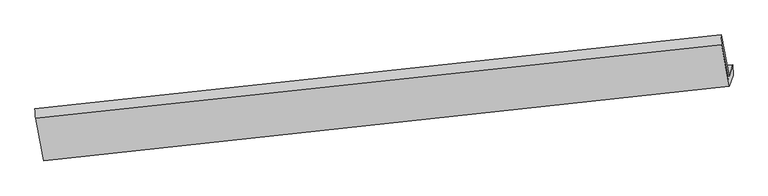
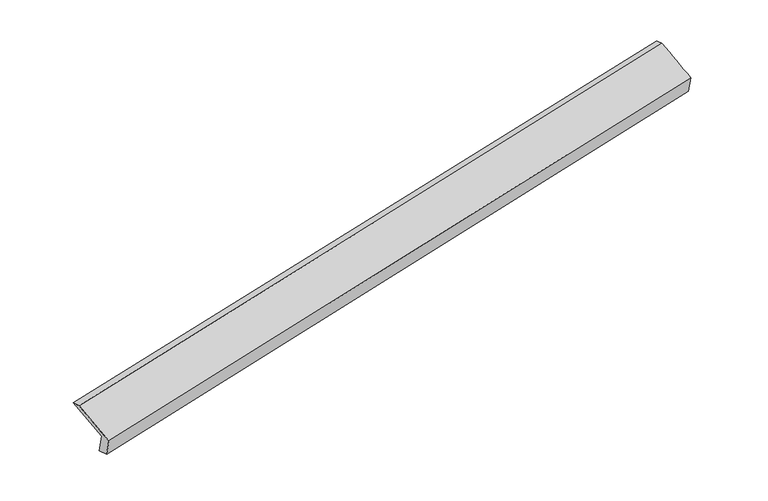
"""IFC4 building model written with IfcOpenShell, lengths in millimetres: proxy geometry."""

from ifc_helpers import new_model, si_unit, frame, origin, place, context, project, spatial, source, transform, mapped, element, save
from ifc_brep_helpers import plane_surface, spline_surface, advanced_brep


def generic_models_99cfa18a(model_context):
    return source(origin(), model_context, "Body", "AdvancedBrep", [
        advanced_brep(
        [(-8450.6804561, -2119.3449917, 403.2264163), (-8512.1930966, -2305.0242946, 813.9578782), (2826.0134213, -1104.7632604, 3077.5174964), (2888.2021294, -917.0432098, 2662.2718035), (-8438.064292, -2332.6128001, 458.1762921), (2892.57246, -1085.2069803, 2730.8388863), (-8494.5489253, -2503.1147856, 835.334805), (2832.9659317, -1265.1325782, 3128.8428788), (-8632.3242292, -1796.956768, 1133.9338096), (2702.9627565, -583.0180672, 3417.7365218), (-8642.7221139, -1636.0066293, 1096.8520803), (2695.585252, -420.418845, 3367.3555633)],
        [
            (0, 1),
            (1, 2),
            (2, 3),
            (3, 0),
            (4, 0),
            (3, 5),
            (5, 4),
            (6, 4),
            (5, 7),
            (7, 6),
            (8, 6),
            (7, 9),
            (9, 8),
            (10, 8),
            (9, 11),
            (11, 10),
            (1, 10),
            (11, 2),
        ],
        [
            plane_surface(frame((-8481.4367763, -2212.1846432, 608.5921473), z_axis=(-0.17270398492146716, 0.9069738406348675, 0.38415073343192263), x_axis=(-0.13521353693127483, -0.40814952973736485, 0.9028461999730092))),
            spline_surface(1, 1, [[(-8438.064292, -2332.6128001, 458.1762921), (2892.57246, -1085.2069803, 2730.8388863)], [(-8450.6804561, -2119.3449917, 403.2264163), (2888.2021294, -917.0432098, 2662.2718035)]], [2, 2], [2, 2], [0.0, 1.0], [0.0, 1.0]),
            plane_surface(frame((-8466.3066087, -2417.8637929, 646.7555485), z_axis=(0.17669491383824987, -0.9065407475737367, -0.3833572490669037), x_axis=(0.13521353693108257, 0.4081495297373596, -0.9028461999730403))),
            spline_surface(1, 1, [[(-8632.3242292, -1796.956768, 1133.9338096), (2702.9627565, -583.0180672, 3417.7365218)], [(-8494.5489253, -2503.1147856, 835.334805), (2832.9659317, -1265.1325782, 3128.8428788)]], [2, 2], [2, 2], [0.0, 1.0], [0.0, 1.0]),
            spline_surface(1, 1, [[(-8642.7221139, -1636.0066293, 1096.8520803), (2695.585252, -420.418845, 3367.3555633)], [(-8632.3242292, -1796.956768, 1133.9338096), (2702.9627565, -583.0180672, 3417.7365218)]], [2, 2], [2, 2], [0.0, 1.0], [0.0, 1.0]),
            spline_surface(1, 1, [[(-8512.1930966, -2305.0242946, 813.9578782), (2826.0134213, -1104.7632604, 3077.5174964)], [(-8642.7221139, -1636.0066293, 1096.8520803), (2695.585252, -420.418845, 3367.3555633)]], [2, 2], [2, 2], [0.0, 1.0], [0.0, 1.0]),
            plane_surface(frame((2806.3836585, -895.9304902, 3064.0938583), z_axis=(0.9756219602248508, 0.10412378610429296, 0.1931839224530012), x_axis=(0.1728556917130771, -0.9069576608323467, -0.38412069886939393))),
            plane_surface(frame((-8528.4221855, -2115.5100449, 790.2468803), z_axis=(-0.9749026814248678, -0.1078535867584102, -0.19476233099331303), x_axis=(0.13521353693129423, 0.40814952973739127, -0.9028461999729942))),
        ],
        [
            (0, [[1, 2, 3, 4]]),
            (1, [[5, -4, 6, 7]]),
            (2, [[8, -7, 9, 10]]),
            (3, [[11, -10, 12, 13]]),
            (4, [[14, -13, 15, 16]]),
            (5, [[17, -16, 18, -2]]),
            (6, [[-12, -9, -6, -3, -18, -15]]),
            (7, [[-1, -5, -8, -11, -14, -17]]),
        ],
    ),
    ])


if __name__ == "__main__":
    model = new_model("IFC4")
    model_context = context("Model", 3, world=origin())
    ifc_project = project(units=[si_unit("LENGTHUNIT", "METRE", prefix="MILLI")], contexts=[model_context])
    site = spatial("IfcSite", under=ifc_project)
    building = spatial("IfcBuilding", under=site)
    placement = place(None, origin())
    generic_models_shape = generic_models_99cfa18a(model_context)
    element("IfcBuildingElementProxy", 1, Name="Generic Models", at=placement, inside=building, context=model_context, shape_type="MappedRepresentation", body=[
        mapped(generic_models_shape, transform((0.0, 0.0, 0.0), x_axis=(1.0, 0.0, 0.0), y_axis=(0.0, 1.0, 0.0), z_axis=(0.0, 0.0, 1.0))),
    ])
    save(model, "model.ifc")
